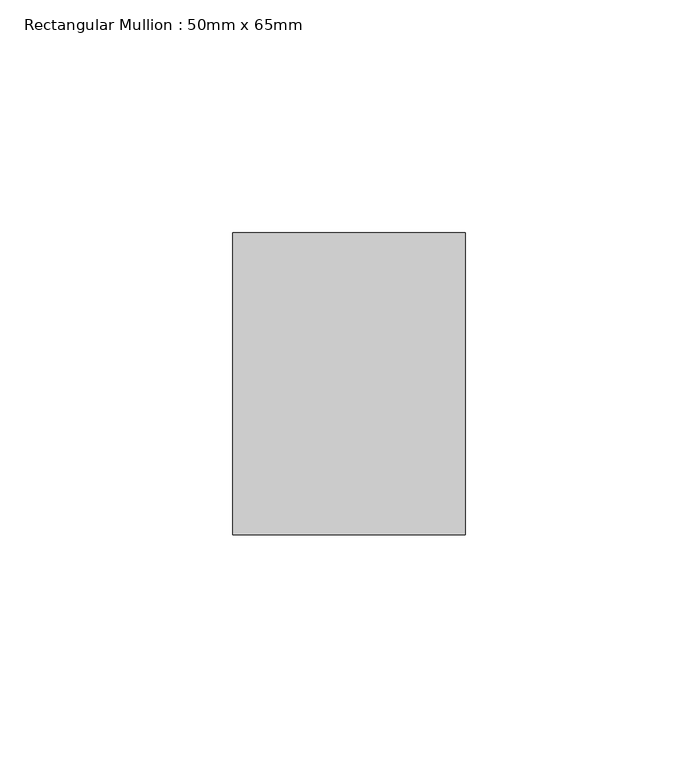
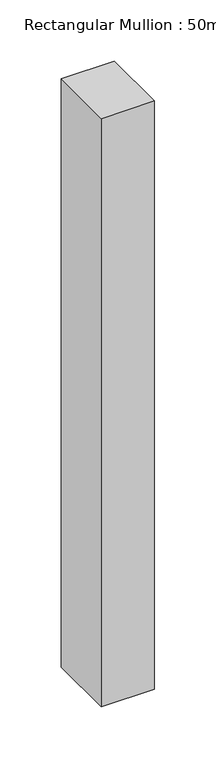
"""IFC4 building model written with IfcOpenShell, lengths in millimetres: member geometry, Rectangular Mullion : 50mm x 65mm."""

from ifc_helpers import new_model, si_unit, frame, origin, place, context, project, spatial, polyline, outline, extrude, source, transform, mapped, element, save


def rectangular_mullion_50mm_x_65mm_fd88861a(model_context):
    return source(origin(), model_context, "Body", "SweptSolid", [
        extrude(outline(polyline([(25.0, 32.5), (25.0, -32.5), (-25.0, -32.5), (-25.0, 32.5), (25.0, 32.5)])), frame((0.0, 0.0, -585.2034039), z_axis=(0.0, 0.0, 1.0), x_axis=(1.0, 0.0, 0.0)), (0.0, 0.0, 1.0), 585.2034039),
    ])


if __name__ == "__main__":
    model = new_model("IFC4")
    model_context = context("Model", 3, world=origin())
    ifc_project = project(units=[si_unit("LENGTHUNIT", "METRE", prefix="MILLI")], contexts=[model_context])
    site = spatial("IfcSite", under=ifc_project)
    building = spatial("IfcBuilding", under=site)
    placement = place(None, origin())
    rectangular_mullion_50mm_x_65mm_shape = rectangular_mullion_50mm_x_65mm_fd88861a(model_context)
    element("IfcMember", 1, ObjectType="Rectangular Mullion : 50mm x 65mm", at=placement, inside=building, context=model_context, shape_type="MappedRepresentation", body=[
        mapped(rectangular_mullion_50mm_x_65mm_shape, transform((0.0, 0.0, 0.0), x_axis=(1.0, 0.0, 0.0), y_axis=(0.0, 1.0, 0.0), z_axis=(0.0, 0.0, 1.0))),
    ])
    save(model, "model.ifc")
